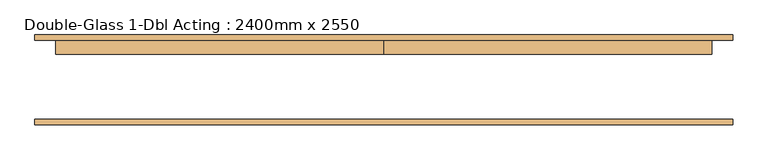
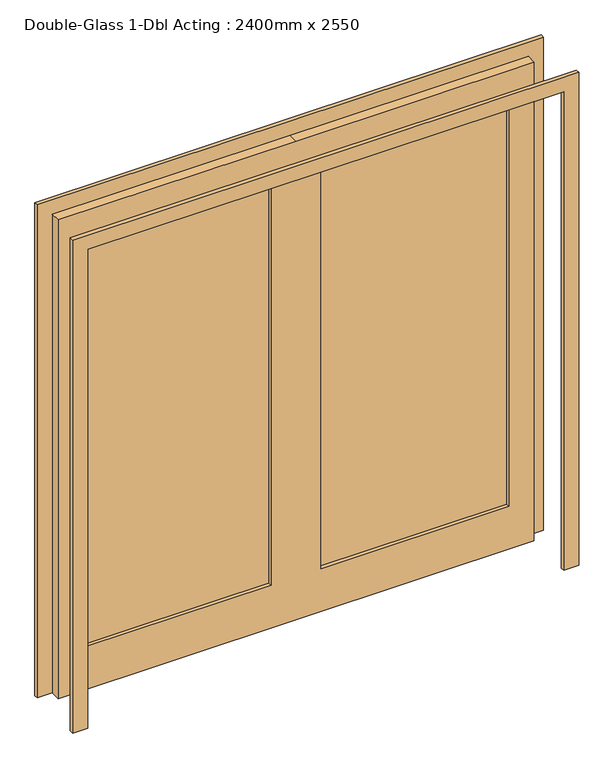
"""IFC4 building model written with IfcOpenShell, lengths in millimetres: door geometry, Double-Glass 1-Dbl Acting : 2400mm x 2550."""

from ifc_helpers import new_model, si_unit, frame, origin, place, context, project, spatial, polyline, outline, extrude, source, transform, mapped, element, save


def double_glass_1_dbl_acting_2400mm_x_2550_1d399ac6(model_context):
    return source(origin(), model_context, "Body", "SweptSolid", [
        extrude(outline(polyline([(127.0, 151.35), (1073.0, 151.35), (1073.0, 138.65), (127.0, 138.65), (127.0, 151.35)])), frame((0.0, 0.0, 228.6), z_axis=(0.0, 0.0, 1.0), x_axis=(1.0, 0.0, 0.0)), (0.0, 0.0, 1.0), 2194.4),
        extrude(outline(polyline([(-1073.0, 151.35), (-127.0, 151.35), (-127.0, 138.65), (-1073.0, 138.65), (-1073.0, 151.35)])), frame((0.0, 0.0, 228.6), z_axis=(0.0, 0.0, 1.0), x_axis=(1.0, 0.0, 0.0)), (0.0, 0.0, 1.0), 2194.4),
        extrude(outline(polyline([(2550.0, -1200.0), (2550.0, 1200.0), (0.0, 1200.0), (0.0, 1276.2), (2626.2, 1276.2), (2626.2, -1276.2), (0.0, -1276.2), (0.0, -1200.0), (2550.0, -1200.0)])), frame((0.0, -138.65, 0.0), z_axis=(0.0, 1.0, 0.0), x_axis=(0.0, 0.0, 1.0)), (0.0, 0.0, 1.0), 19.05),
        extrude(outline(polyline([(2550.0, -1200.0), (2550.0, 1200.0), (0.0, 1200.0), (0.0, 1276.2), (2626.2, 1276.2), (2626.2, -1276.2), (0.0, -1276.2), (0.0, -1200.0), (2550.0, -1200.0)])), frame((0.0, 170.4, 0.0), z_axis=(0.0, 1.0, 0.0), x_axis=(0.0, 0.0, 1.0)), (0.0, 0.0, 1.0), 19.05),
        extrude(outline(polyline([(2550.0, 0.0), (2550.0, -1200.0), (0.0, -1200.0), (0.0, 0.0), (0.0, 1200.0), (2550.0, 1200.0), (2550.0, 0.0)]), holes=[polyline([(2423.0, 127.0), (2423.0, 1073.0), (228.6, 1073.0), (228.6, 127.0), (2423.0, 127.0)]), polyline([(2423.0, -127.0), (228.6, -127.0), (228.6, -1073.0), (2423.0, -1073.0), (2423.0, -127.0)])]), frame((0.0, 119.6, 0.0), z_axis=(0.0, 1.0, 0.0), x_axis=(0.0, 0.0, 1.0)), (0.0, 0.0, 1.0), 50.8),
    ])


if __name__ == "__main__":
    model = new_model("IFC4")
    model_context = context("Model", 3, world=origin())
    ifc_project = project(units=[si_unit("LENGTHUNIT", "METRE", prefix="MILLI")], contexts=[model_context])
    site = spatial("IfcSite", under=ifc_project)
    building = spatial("IfcBuilding", under=site)
    placement = place(None, origin())
    double_glass_1_dbl_acting_2400mm_x_2550_shape = double_glass_1_dbl_acting_2400mm_x_2550_1d399ac6(model_context)
    element("IfcDoor", 1, ObjectType="Double-Glass 1-Dbl Acting : 2400mm x 2550", at=placement, inside=building, context=model_context, shape_type="MappedRepresentation", body=[
        mapped(double_glass_1_dbl_acting_2400mm_x_2550_shape, transform((0.0, 0.0, 0.0), x_axis=(1.0, 0.0, 0.0), y_axis=(0.0, 1.0, 0.0), z_axis=(0.0, 0.0, 1.0))),
    ])
    save(model, "model.ifc")
